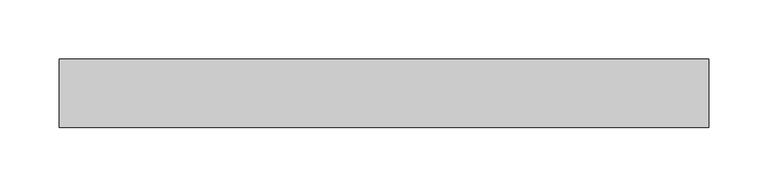
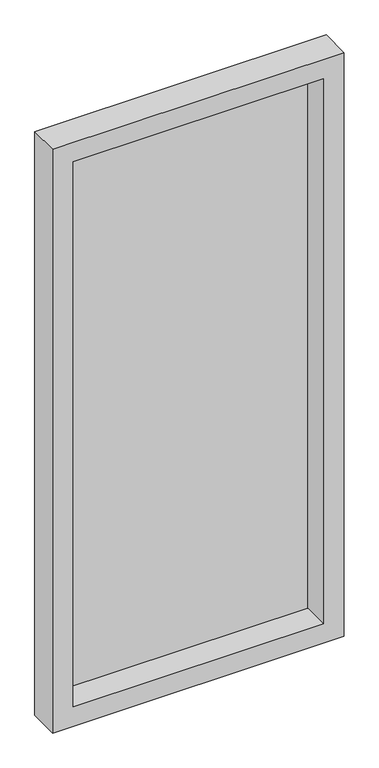
"""IFC4 building model written with IfcOpenShell, lengths in millimetres: plate geometry."""

from ifc_helpers import new_model, si_unit, frame, origin, place, context, project, spatial, polyline, outline, extrude, faceted_brep, source, transform, mapped, element, save


def plate_76647ebe(model_context):
    return source(origin(), model_context, "Body", "SolidModel", [
        faceted_brep([(-234.572175, -25.4, 1117.222175), (-234.572175, -76.4886435, 1117.222175), (-234.572175, -76.4886435, 38.4778249), (-234.572175, -25.4, 38.4778249), (-256.365375, -19.05, 1139.015375), (-256.365375, -25.4, 1139.015375), (-256.365375, -25.4, 16.6846249), (-256.365375, -19.05, 16.6846249), (-273.05, -76.4886435, 1155.7), (-273.05, -19.05, 1155.7), (-273.05, -19.05, -1e-07), (-273.05, -76.4886435, -1e-07), (234.572175, -76.4886435, 38.4778249), (234.572175, -25.4, 38.4778249), (256.365375, -25.4, 16.6846249), (256.365375, -19.05, 16.6846249), (273.05, -19.05, -1e-07), (273.05, -76.4886435, -1e-07), (234.572175, -76.4886435, 1117.222175), (234.572175, -25.4, 1117.222175), (256.365375, -25.4, 1139.015375), (256.365375, -19.05, 1139.015375), (273.05, -19.05, 1155.7), (273.05, -76.4886435, 1155.7)], [[[0, 1, 2, 3]], [[4, 5, 6, 7]], [[8, 9, 10, 11]], [[3, 2, 12, 13]], [[7, 6, 14, 15]], [[11, 10, 16, 17]], [[13, 12, 18, 19]], [[15, 14, 20, 21]], [[17, 16, 22, 23]], [[11, 17, 23, 8], [1, 18, 12, 2]], [[19, 18, 1, 0]], [[5, 20, 14, 6], [3, 13, 19, 0]], [[21, 20, 5, 4]], [[9, 22, 16, 10], [7, 15, 21, 4]], [[23, 22, 9, 8]]]),
        extrude(outline(polyline([(256.365375, -19.05), (256.365375, -25.4), (-256.365375, -25.4), (-256.365375, -19.05), (256.365375, -19.05)])), frame((0.0, 0.0, 16.6846249), z_axis=(0.0, 0.0, 1.0), x_axis=(1.0, 0.0, 0.0)), (0.0, 0.0, 1.0), 1122.3307501),
    ])


if __name__ == "__main__":
    model = new_model("IFC4")
    model_context = context("Model", 3, world=origin())
    ifc_project = project(units=[si_unit("LENGTHUNIT", "METRE", prefix="MILLI")], contexts=[model_context])
    site = spatial("IfcSite", under=ifc_project)
    building = spatial("IfcBuilding", under=site)
    placement = place(None, origin())
    plate_shape = plate_76647ebe(model_context)
    element("IfcPlate", 1, at=placement, inside=building, context=model_context, shape_type="MappedRepresentation", body=[
        mapped(plate_shape, transform((0.0, 0.0, 0.0), x_axis=(1.0, 0.0, 0.0), y_axis=(0.0, 1.0, 0.0), z_axis=(0.0, 0.0, 1.0))),
    ])
    save(model, "model.ifc")
